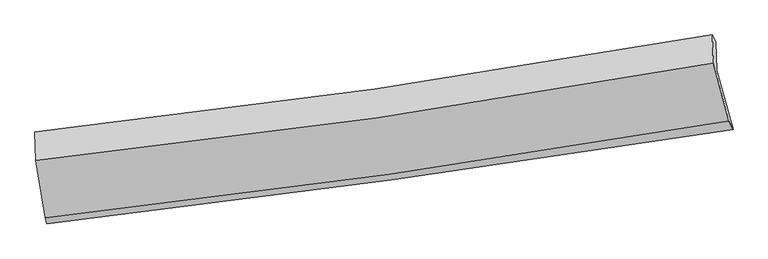
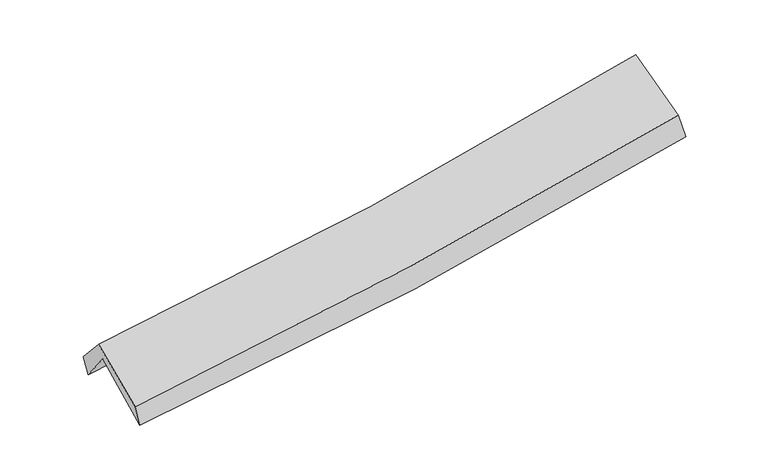
"""IFC4 building model written with IfcOpenShell, lengths in millimetres: proxy geometry."""

from ifc_helpers import new_model, si_unit, frame, origin, place, context, project, spatial, source, transform, mapped, element, save
from ifc_brep_helpers import plane_surface, spline_curve, spline_surface, advanced_brep


def generic_models_69a67475(model_context):
    return source(origin(), model_context, "Body", "AdvancedBrep", [
        advanced_brep(
        [(-2949.1257766, -2515.7729192, 1468.8934695), (-3032.2353261, -2004.1315946, 1905.14016), (2965.6391582, -1152.5506624, 2385.3666205), (3109.3836347, -1681.0515622, 1959.8532441), (-3039.0716414, -1754.6220915, 1582.8412568), (2956.6752015, -902.3606378, 2084.7162741), (-3055.5116968, -1700.5049513, 1750.4547024), (2925.0607491, -842.0189261, 2262.4867945), (-3046.0766668, -1952.6779535, 2036.0860468), (2936.084226, -1093.9141741, 2548.2040067), (-2966.210545, -2459.5716984, 1643.1459665), (3073.0248722, -1605.5021811, 2155.0350447)],
        [
            (0, 1),
            (1, 2, spline_curve(3, [(-3032.2353261, -2004.1315946, 1905.14016), (-2027.349297648, -1886.328601598, 1955.763954731), (-1025.2494655, -1756.489758432, 2021.076444714), (974.045754919, -1472.645543104, 2181.132289166), (1971.237417691, -1318.624075129, 2275.895285926), (2965.6391582, -1152.5506624, 2385.3666205)], [4, 2, 4], [0.0, 10.016133642906428, 20.0389621555873])),
            (2, 3),
            (3, 0, spline_curve(3, [(3109.3836347, -1681.0515622, 1959.8532441), (2105.719590556, -1838.111012595, 1831.668456798), (1098.842035961, -1986.221101562, 1726.656819107), (-920.665392792, -2264.449602143, 1563.034508303), (-1933.290974908, -2394.579965433, 1504.39288774), (-2949.1257766, -2515.7729192, 1468.8934695)], [4, 2, 4], [0.0, 10.02282851268087, 20.0389621555873])),
            (1, 4),
            (4, 5, spline_curve(3, [(-3039.0716414, -1754.6220915, 1582.8412568), (-2035.515975398, -1621.762724816, 1626.450412281), (-1034.258732072, -1484.336507992, 1690.057252042), (964.32662253, -1200.255463822, 1857.32218234), (1961.651660171, -1053.594529499, 1961.007015019), (2956.6752015, -902.3606378, 2084.7162741)], [4, 2, 4], [0.0, 9.967492412083082, 19.941647181724054])),
            (5, 2),
            (4, 6),
            (6, 7, spline_curve(3, [(-3055.5116968, -1700.5049513, 1750.4547024), (-2051.608737042, -1591.131339505, 1803.91404032), (-1051.441477083, -1464.933555523, 1873.293474197), (942.087666898, -1178.794045372, 2043.949549141), (1935.444555849, -1018.829821171, 2145.247479246), (2925.0607491, -842.0189261, 2262.4867945)], [4, 2, 4], [0.0, 9.956838869807525, 19.920332976253757])),
            (7, 5),
            (6, 8),
            (8, 9, spline_curve(3, [(-3046.0766668, -1952.6779535, 2036.0860468), (-2041.810904919, -1845.341912181, 2091.907437868), (-1041.329900841, -1720.140122845, 2162.475443967), (952.728791374, -1433.909421184, 2333.161710258), (1946.301418418, -1272.856617254, 2433.299690996), (2936.084226, -1093.9141741, 2548.2040067)], [4, 2, 4], [0.0, 9.947911760729289, 19.902472791140887])),
            (9, 7),
            (8, 10),
            (10, 11, spline_curve(3, [(-2966.210545, -2459.5716984, 1643.1459665), (-1953.434675485, -2346.641498285, 1702.351124552), (-943.94416347, -2219.032622629, 1774.592518792), (1069.13870244, -1934.362412549, 1945.204778308), (2072.72666252, -1777.281449488, 2043.593077351), (3073.0248722, -1605.5021811, 2155.0350447)], [4, 2, 4], [0.0, 9.994363982376948, 19.99540828350022])),
            (11, 9),
            (10, 0),
            (3, 11),
        ],
        [
            spline_surface(3, 3, [[(-2949.1257766, -2515.7729192, 1468.8934695), (-1933.290975068, -2394.579965581, 1504.392887676), (-920.66539275, -2264.449602197, 1563.034508222), (1098.842035919, -1986.221101509, 1726.656819188), (2105.71959071, -1838.111012621, 1831.668456844), (3109.3836347, -1681.0515622, 1959.8532441)], [(-2976.828959785, -2345.225810987, 1614.309032986), (-1964.643749247, -2225.162844205, 1654.849910035), (-955.526750365, -2095.129654342, 1715.715153746), (1057.243275636, -1815.029248678, 1878.148642448), (2060.892199758, -1664.948700148, 1979.744066484), (3061.468809203, -1504.884595626, 2101.691036222)], [(-3004.532142915, -2174.678702813, 1759.724596514), (-1995.996523372, -2055.745722867, 1805.306932438), (-990.388108008, -1925.809706432, 1868.395799329), (1015.644515325, -1643.837395791, 2029.640465766), (2016.064808797, -1491.786387596, 2127.819676159), (3013.553983697, -1328.717628974, 2243.528828378)], [(-3032.2353261, -2004.1315946, 1905.14016), (-2027.349297552, -1886.32860149, 1955.763954797), (-1025.249465623, -1756.489758577, 2021.076444854), (974.045755041, -1472.64554296, 2181.132289026), (1971.237417845, -1318.624075123, 2275.895285799), (2965.6391582, -1152.5506624, 2385.3666205)]], [4, 4], [4, 2, 4], [0.0, 2.2782636556681926], [0.0, 10.016133642906428, 20.0389621555873]),
            spline_surface(3, 3, [[(-3032.2353261, -2004.1315946, 1905.14016), (-2027.349297552, -1886.32860149, 1955.763954797), (-1025.249465623, -1756.489758577, 2021.076444854), (974.045755041, -1472.64554296, 2181.132289026), (1971.237417845, -1318.624075123, 2275.895285799), (2965.6391582, -1152.5506624, 2385.3666205)], [(-3034.514097854, -1920.961760247, 1797.707192295), (-2030.071523509, -1798.139975983, 1845.992773974), (-1028.252554426, -1665.772008375, 1910.736713935), (970.806044207, -1381.848849914, 2073.195586796), (1968.042165254, -1230.280893269, 2170.93252886), (2962.651172638, -1069.153987539, 2285.14983838)], [(-3036.792869646, -1837.791925853, 1690.274224505), (-2032.793749506, -1709.951350434, 1736.221593066), (-1031.255643253, -1575.054258183, 1800.396982991), (967.56633335, -1291.052156878, 1965.25888454), (1964.84691265, -1141.937711399, 2065.96977188), (2959.663187062, -985.757312661, 2184.93305622)], [(-3039.0716414, -1754.6220915, 1582.8412568), (-2035.515975464, -1621.762724927, 1626.450412243), (-1034.258732057, -1484.336507981, 1690.057252072), (964.326622515, -1200.255463833, 1857.32218231), (1961.651660059, -1053.594529545, 1961.00701494), (2956.6752015, -902.3606378, 2084.7162741)]], [4, 4], [4, 2, 4], [0.0, 1.3974158527900733], [0.0, 9.967492412083082, 19.941647181724054]),
            spline_surface(3, 3, [[(-3039.0716414, -1754.6220915, 1582.8412568), (-2035.515975464, -1621.762724927, 1626.450412243), (-1034.258732057, -1484.336507981, 1690.057252072), (964.326622515, -1200.255463833, 1857.32218231), (1961.651660059, -1053.594529545, 1961.00701494), (2956.6752015, -902.3606378, 2084.7162741)], [(-3044.551659859, -1736.583044751, 1638.712405312), (-2040.88022937, -1611.552263137, 1685.604954948), (-1039.986313777, -1477.868857156, 1751.135992829), (956.913637353, -1193.101657706, 1919.531304542), (1952.915958594, -1042.006293395, 2022.42050299), (2946.137050693, -882.246733874, 2143.973114224)], [(-3050.031678341, -1718.543998049, 1694.583553888), (-2046.244483298, -1601.341801394, 1744.759497716), (-1045.713895495, -1471.401206299, 1812.214733582), (949.500652192, -1185.947851549, 1981.740426769), (1944.18025715, -1030.418057323, 2083.833991068), (2935.598899907, -862.132830026, 2203.229954376)], [(-3055.5116968, -1700.5049513, 1750.4547024), (-2051.608737204, -1591.131339604, 1803.914040421), (-1051.441477214, -1464.933555473, 1873.293474338), (942.087667029, -1178.794045423, 2043.949549), (1935.444555686, -1018.829821173, 2145.247479118), (2925.0607491, -842.0189261, 2262.4867945)]], [4, 4], [4, 2, 4], [0.0, 0.6138439506761246], [0.0, 9.956838869807525, 19.920332976253757]),
            spline_surface(3, 3, [[(-3055.5116968, -1700.5049513, 1750.4547024), (-2051.608737204, -1591.131339604, 1803.914040421), (-1051.441477214, -1464.933555473, 1873.293474338), (942.087667029, -1178.794045423, 2043.949549), (1935.444555686, -1018.829821173, 2145.247479118), (2925.0607491, -842.0189261, 2262.4867945)], [(-3052.366686824, -1784.562618699, 1845.665150552), (-2048.342793085, -1675.868197139, 1899.911839604), (-1048.070951774, -1550.002411294, 1969.687464181), (945.63470844, -1263.832503959, 2140.353602786), (1939.063509879, -1103.505419853, 2241.264883101), (2928.735241384, -925.984008785, 2357.725865226)], [(-3049.221676776, -1868.620286101, 1940.875598648), (-2045.076848893, -1760.605054677, 1995.90963873), (-1044.700426252, -1635.071267146, 2066.081454025), (949.181749933, -1348.870962527, 2236.757656572), (1942.682464118, -1188.181018477, 2337.282287107), (2932.409733716, -1009.949091415, 2452.964935974)], [(-3046.0766668, -1952.6779535, 2036.0860468), (-2041.810904774, -1845.341912211, 2091.907437913), (-1041.329900811, -1720.140122966, 2162.475443868), (952.728791345, -1433.909421063, 2333.161710358), (1946.301418311, -1272.856617156, 2433.29969109), (2936.084226, -1093.9141741, 2548.2040067)]], [4, 4], [4, 2, 4], [0.0, 1.2657824137415807], [0.0, 9.947911760729289, 19.902472791140887]),
            spline_surface(3, 3, [[(-3046.0766668, -1952.6779535, 2036.0860468), (-2041.810904774, -1845.341912211, 2091.907437913), (-1041.329900811, -1720.140122966, 2162.475443868), (952.728791345, -1433.909421063, 2333.161710358), (1946.301418311, -1272.856617156, 2433.29969109), (2936.084226, -1093.9141741, 2548.2040067)], [(-3019.45462619, -2121.64253513, 1905.106020032), (-2012.352161681, -2012.441774286, 1962.055333487), (-1008.867988327, -1886.437622824, 2033.181135453), (991.532095042, -1600.727084944, 2203.842733059), (1988.443166442, -1440.998227931, 2303.397486488), (2981.731108083, -1264.443509758, 2417.147686053)], [(-2992.83258561, -2290.60711677, 1774.125993268), (-1982.89341862, -2179.541636372, 1832.203229066), (-976.406075898, -2052.735122647, 1903.886827046), (1030.335398686, -1767.544748791, 2074.523755768), (2030.584914524, -1609.139838733, 2173.495281827), (3027.377990117, -1434.972845442, 2286.091365347)], [(-2966.210545, -2459.5716984, 1643.1459665), (-1953.434675528, -2346.641498447, 1702.35112464), (-943.944163414, -2219.032622505, 1774.592518631), (1069.138702384, -1934.362412673, 1945.20477847), (2072.726662654, -1777.281449507, 2043.593077224), (3073.0248722, -1605.5021811, 2155.0350447)]], [4, 4], [4, 2, 4], [0.0, 2.1048161012553432], [0.0, 9.994363982376948, 19.99540828350022]),
            spline_surface(3, 3, [[(-2966.210545, -2459.5716984, 1643.1459665), (-1953.434675528, -2346.641498447, 1702.35112464), (-943.944163414, -2219.032622505, 1774.592518631), (1069.138702384, -1934.362412673, 1945.20477847), (2072.726662654, -1777.281449507, 2043.593077224), (3073.0248722, -1605.5021811, 2155.0350447)], [(-2960.515622189, -2478.305438685, 1585.061800824), (-1946.720108696, -2362.62098751, 1636.365045642), (-936.1845732, -2234.171615709, 1704.073181841), (1079.039813555, -1951.648642258, 1872.355458722), (2083.724305339, -1797.55797053, 1972.951537093), (3085.144459699, -1630.685308118, 2089.974444495)], [(-2954.820699411, -2497.039178915, 1526.977635176), (-1940.005541899, -2378.600476518, 1570.378966673), (-928.424982964, -2249.310608993, 1633.553845012), (1088.940924748, -1968.934871923, 1799.506138936), (2094.721948026, -1817.834491598, 1902.309996976), (3097.264047201, -1655.868435182, 2024.913844305)], [(-2949.1257766, -2515.7729192, 1468.8934695), (-1933.290975068, -2394.579965581, 1504.392887676), (-920.66539275, -2264.449602197, 1563.034508222), (1098.842035919, -1986.221101509, 1726.656819188), (2105.71959071, -1838.111012621, 1831.668456844), (3109.3836347, -1681.0515622, 1959.8532441)]], [4, 4], [4, 2, 4], [0.0, 0.728586770108806], [0.0, 10.051979800760048, 20.1106784311744]),
            plane_surface(frame((2994.311307, -1212.8996906, 2232.6103308), z_axis=(0.978109469890412, 0.17335979947682864, 0.11510102013471023), x_axis=(0.20761530298239295, -0.7756170427096142, -0.5960822837712272))),
            plane_surface(frame((-3014.7052755, -2064.5468681, 1731.0936003), z_axis=(-0.9921969015533357, -0.10789495564186305, -0.06248189413742867), x_axis=(-0.09290910118089298, 0.30562924719910795, 0.9476068077922748))),
        ],
        [
            (0, [[1, 2, 3, 4]]),
            (1, [[5, 6, 7, -2]]),
            (2, [[8, 9, 10, -6]]),
            (3, [[11, 12, 13, -9]]),
            (4, [[14, 15, 16, -12]]),
            (5, [[17, -4, 18, -15]]),
            (6, [[-16, -18, -3, -7, -10, -13]]),
            (7, [[-17, -14, -11, -8, -5, -1]]),
        ],
    ),
    ])


if __name__ == "__main__":
    model = new_model("IFC4")
    model_context = context("Model", 3, world=origin())
    ifc_project = project(units=[si_unit("LENGTHUNIT", "METRE", prefix="MILLI")], contexts=[model_context])
    site = spatial("IfcSite", under=ifc_project)
    building = spatial("IfcBuilding", under=site)
    placement = place(None, origin())
    generic_models_shape = generic_models_69a67475(model_context)
    element("IfcBuildingElementProxy", 1, Name="Generic Models", at=placement, inside=building, context=model_context, shape_type="MappedRepresentation", body=[
        mapped(generic_models_shape, transform((0.0, 0.0, 0.0), x_axis=(1.0, 0.0, 0.0), y_axis=(0.0, 1.0, 0.0), z_axis=(0.0, 0.0, 1.0))),
    ])
    save(model, "model.ifc")
